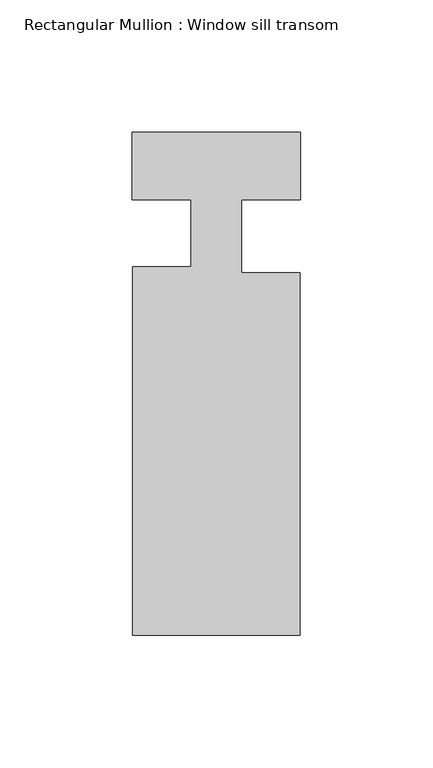
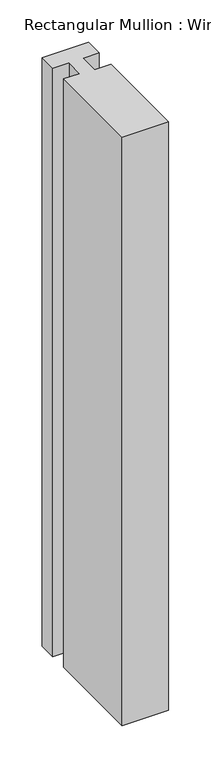
"""IFC4 building model written with IfcOpenShell, lengths in millimetres: member geometry, Rectangular Mullion : Window sill transom."""

from ifc_helpers import new_model, si_unit, frame, origin, place, context, project, spatial, polyline, outline, extrude, source, transform, mapped, element, save


def rectangular_mullion_window_sill_transom_8fc999c6(model_context):
    return source(origin(), model_context, "Body", "SweptSolid", [
        extrude(outline(polyline([(-63.5833437, 25.4), (0.0, 25.4), (0.0, 0.0007939), (-22.225, 0.0007939), (-22.225, -27.686), (-0.0833437, -27.686), (-0.0833437, -164.592), (-63.5, -164.592), (-63.5, -25.3997799), (-41.3186563, -25.3997799), (-41.3186563, 0.0100832), (-63.5833437, 0.0100832), (-63.5833437, 25.4)])), frame((0.0, 0.0, -850.9), z_axis=(0.0, 0.0, 1.0), x_axis=(1.0, 0.0, 0.0)), (0.0, 0.0, 1.0), 850.9),
    ])


if __name__ == "__main__":
    model = new_model("IFC4")
    model_context = context("Model", 3, world=origin())
    ifc_project = project(units=[si_unit("LENGTHUNIT", "METRE", prefix="MILLI")], contexts=[model_context])
    site = spatial("IfcSite", under=ifc_project)
    building = spatial("IfcBuilding", under=site)
    placement = place(None, origin())
    rectangular_mullion_window_sill_transom_shape = rectangular_mullion_window_sill_transom_8fc999c6(model_context)
    element("IfcMember", 1, ObjectType="Rectangular Mullion : Window sill transom", at=placement, inside=building, context=model_context, shape_type="MappedRepresentation", body=[
        mapped(rectangular_mullion_window_sill_transom_shape, transform((0.0, 0.0, 0.0), x_axis=(1.0, 0.0, 0.0), y_axis=(0.0, 1.0, 0.0), z_axis=(0.0, 0.0, 1.0))),
    ])
    save(model, "model.ifc")
